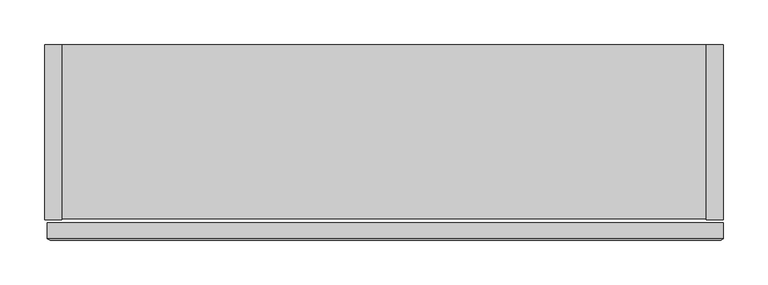
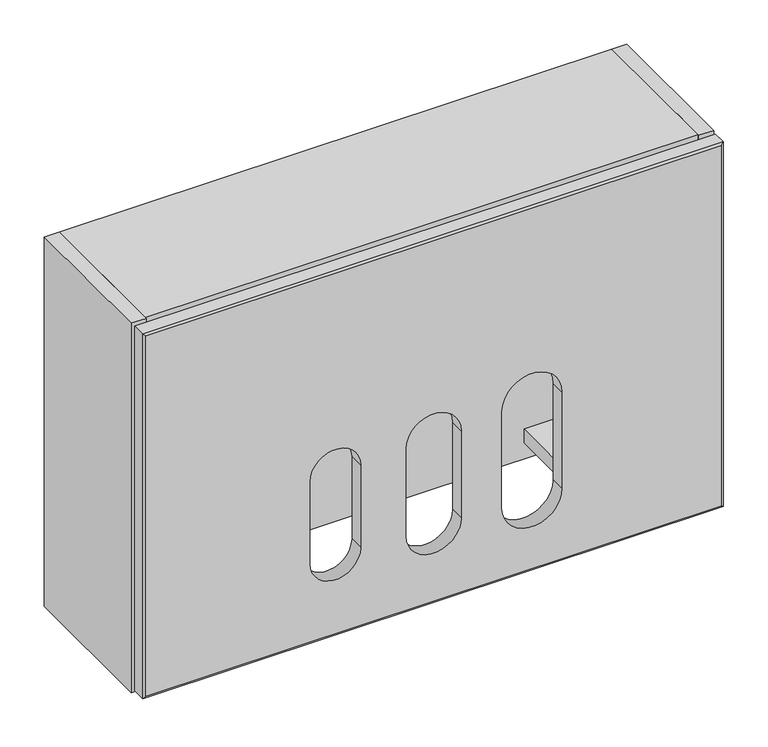
"""IFC4 building model written with IfcOpenShell, lengths in millimetres: furniture geometry."""

from ifc_helpers import new_model, si_unit, frame, origin, place, context, project, spatial, polyline, circle_curve, outline, extrude, source, transform, mapped, element, save
from ifc_brep_helpers import plane_surface, revolved_surface, advanced_brep


def furniture_8b93c39d(model_context):
    return source(origin(), model_context, "Body", "SolidModel", [
        extrude(outline(polyline([(-437.6428362, 90.2328644), (-311.6834, 90.2328644), (-311.6834, -85.5446699), (-437.6428362, -85.5446699), (-437.6428362, 90.2328644)])), frame((0.0, 0.0, 1629.9375211), z_axis=(0.0, 0.0, 1.0), x_axis=(1.0, 0.0, 0.0)), (0.0, 0.0, 1.0), 19.5572001),
        extrude(outline(polyline([(159.2834, 90.2328644), (285.2428362, 90.2328644), (285.2428362, -85.5446699), (159.2834, -85.5446699), (159.2834, 90.2328644)])), frame((0.0, 0.0, 1629.9375211), z_axis=(0.0, 0.0, 1.0), x_axis=(1.0, 0.0, 0.0)), (0.0, 0.0, 1.0), 19.5572001),
        advanced_brep(
        [(-450.8501575, -109.7931898, 2112.6469333), (-450.8501575, -109.7931898, 1614.4452618), (301.6248425, -109.7931898, 1614.4452618), (301.6248425, -109.7931898, 2112.6469333), (-110.6350798, -109.7931898, 1837.4676831), (-38.5902351, -109.7931898, 1837.4676831), (-38.5902351, -109.7931898, 1716.8176831), (-110.6350798, -109.7931898, 1716.8176831), (-170.1154511, -109.7931898, 1722.0156217), (-235.9772377, -109.7931898, 1722.0156217), (-235.9772377, -109.7931898, 1836.3156217), (-170.1154511, -109.7931898, 1836.3156217), (93.123821, -109.7931898, 1711.7712252), (14.6291937, -109.7931898, 1711.7712252), (14.6291937, -109.7931898, 1845.1212252), (93.123821, -109.7931898, 1845.1212252), (-454.0251575, -107.9688826, 2115.8183967), (-454.0251575, -107.9688826, 1611.2768869), (304.7998425, -107.9688826, 1611.2768869), (304.7998425, -107.9688826, 2115.8183967), (-38.5902351, -90.2351898, 1837.4676831), (-110.6350798, -90.2351898, 1837.4676831), (-110.6350798, -90.2351898, 1716.8176831), (-38.5902351, -90.2351898, 1716.8176831), (-235.9772377, -90.2351898, 1722.0156217), (-170.1154511, -90.2351898, 1722.0156217), (-235.9772377, -90.2350813, 1836.3156217), (-170.1154511, -90.2350813, 1836.3156217), (14.6291937, -90.2351898, 1711.7712252), (93.123821, -90.2351898, 1711.7712252), (14.6291937, -90.2350813, 1845.1212252), (93.123821, -90.2350813, 1845.1212252), (304.7998425, -90.2350813, 1611.2768869), (304.7998425, -90.2350813, 2115.8183967), (-454.0251575, -90.2350813, 2115.8183967), (-454.0251575, -90.2350813, 1611.2768869)],
        [
            (0, 1),
            (1, 2),
            (2, 3),
            (3, 0),
            (4, 5, circle_curve(frame((-74.6126575, -109.7931898, 1837.4676831), z_axis=(0.0, 1.0, 0.0), x_axis=(-1.0, 0.0, 0.0)), 36.0224224)),
            (5, 6),
            (6, 7, circle_curve(frame((-74.6126575, -109.7931898, 1716.8176831), z_axis=(0.0, 1.0, 0.0), x_axis=(-1.0, 0.0, 0.0)), 36.0224224)),
            (7, 4),
            (8, 9, circle_curve(frame((-203.0463444, -109.7931898, 1722.0156217), z_axis=(0.0, 1.0, 0.0), x_axis=(-1.0, 0.0, 0.0)), 32.9308933)),
            (9, 10),
            (10, 11, circle_curve(frame((-203.0463444, -109.7931898, 1836.3156217), z_axis=(0.0, 1.0, 0.0), x_axis=(-1.0, 0.0, 0.0)), 32.9308933)),
            (11, 8),
            (12, 13, circle_curve(frame((53.8765073, -109.7931898, 1711.7712252), z_axis=(0.0, 1.0, 0.0), x_axis=(-1.0, 0.0, 0.0)), 39.2473137)),
            (13, 14),
            (14, 15, circle_curve(frame((53.8765073, -109.7931898, 1845.1212252), z_axis=(0.0, 1.0, 0.0), x_axis=(-1.0, 0.0, 0.0)), 39.2473137)),
            (15, 12),
            (0, 16),
            (16, 17),
            (17, 1),
            (17, 18),
            (18, 2),
            (18, 19),
            (19, 3),
            (19, 16),
            (20, 5),
            (4, 21),
            (21, 20, circle_curve(frame((-74.6126575, -90.2350813, 1837.4676831), z_axis=(0.0, 1.0, 0.0), x_axis=(-1.0, 0.0, 0.0)), 36.0224224)),
            (7, 22),
            (22, 21),
            (6, 23),
            (23, 22, circle_curve(frame((-74.6126575, -90.2350813, 1716.8176831), z_axis=(0.0, 1.0, 0.0), x_axis=(-1.0, 0.0, 0.0)), 36.0224224)),
            (20, 23),
            (24, 9),
            (8, 25),
            (25, 24, circle_curve(frame((-203.0463444, -90.2350813, 1722.0156217), z_axis=(0.0, 1.0, 0.0), x_axis=(-1.0, 0.0, 0.0)), 32.9308933)),
            (24, 26),
            (26, 10),
            (26, 27, circle_curve(frame((-203.0463444, -90.2350813, 1836.3156217), z_axis=(0.0, 1.0, 0.0), x_axis=(-1.0, 0.0, 0.0)), 32.9308933)),
            (27, 11),
            (27, 25),
            (28, 13),
            (12, 29),
            (29, 28, circle_curve(frame((53.8765073, -90.2350813, 1711.7712252), z_axis=(0.0, 1.0, 0.0), x_axis=(-1.0, 0.0, 0.0)), 39.2473137)),
            (28, 30),
            (30, 14),
            (30, 31, circle_curve(frame((53.8765073, -90.2350813, 1845.1212252), z_axis=(0.0, 1.0, 0.0), x_axis=(-1.0, 0.0, 0.0)), 39.2473137)),
            (31, 15),
            (31, 29),
            (18, 32),
            (32, 33),
            (33, 19),
            (16, 34),
            (34, 35),
            (35, 17),
            (35, 32),
            (34, 33),
        ],
        [
            plane_surface(frame((-74.6126575, -109.7931898, 1863.5460976), z_axis=(0.0, -1.0, 0.0), x_axis=(0.0, 0.0, -1.0))),
            plane_surface(frame((-454.0251575, -107.9688826, 1863.5476418), z_axis=(-0.4982006522762486, -0.8670617683138384, 0.0), x_axis=(0.0, 0.0, -1.0))),
            plane_surface(frame((-74.6126575, -107.9688826, 1611.2768869), z_axis=(0.0, -0.8666116478902143, -0.49898321789515865), x_axis=(1.0, 0.0, 0.0))),
            plane_surface(frame((304.7998425, -107.9688826, 1863.5476418), z_axis=(0.4982006522763889, -0.8670617683137579, 0.0), x_axis=(0.0, 0.0, 1.0))),
            plane_surface(frame((-74.6126575, -107.9688826, 2115.8183967), z_axis=(0.0, -0.8668217483884826, 0.49861814700302903), x_axis=(-1.0, 0.0, 0.0))),
            revolved_surface(polyline([(-110.6350799, -90.2350813, 1837.4676831), (-110.6350799, -109.7931898, 1837.4676831)]), (-74.6126575, -109.7931898, 1837.4676831), (0.0, 1.0, 0.0)),
            plane_surface(frame((-110.6350798, -90.2351898, 1716.8176831), z_axis=(1.0, 0.0, 0.0), x_axis=(0.0, -1.0, 0.0))),
            revolved_surface(polyline([(-110.6350799, -90.2350813, 1716.8176831), (-110.6350799, -109.7931898, 1716.8176831)]), (-74.6126575, -109.7931898, 1716.8176831), (0.0, 1.0, 0.0)),
            plane_surface(frame((-38.5902351, -90.2351898, 1837.4676831), z_axis=(-1.0, 0.0, 0.0), x_axis=(0.0, -1.0, 0.0))),
            revolved_surface(polyline([(-235.97723770000002, -90.2350813, 1722.0156217), (-235.97723770000002, -109.7931898, 1722.0156217)]), (-203.0463444, -90.2351898, 1722.0156217), (0.0, 1.0, 0.0)),
            plane_surface(frame((-235.9772377, -90.2351898, 1722.0156217), z_axis=(1.0, 0.0, 0.0), x_axis=(0.0, -1.0, 0.0))),
            revolved_surface(polyline([(-235.97723770000002, -90.2350813, 1836.3156217), (-235.97723770000002, -109.7931898, 1836.3156217)]), (-203.0463444, -90.2351898, 1836.3156217), (0.0, 1.0, 0.0)),
            plane_surface(frame((-170.1154511, -90.2351898, 1836.3156217), z_axis=(-1.0, 0.0, 0.0), x_axis=(0.0, -1.0, 0.0))),
            revolved_surface(polyline([(14.6291936, -90.2350813, 1711.7712252), (14.6291936, -109.7931898, 1711.7712252)]), (53.8765073, -90.2351898, 1711.7712252), (0.0, 1.0, 0.0)),
            plane_surface(frame((14.6291937, -90.2351898, 1711.7712252), z_axis=(1.0, 0.0, 0.0), x_axis=(0.0, -1.0, 0.0))),
            revolved_surface(polyline([(14.6291936, -90.2350813, 1845.1212252), (14.6291936, -109.7931898, 1845.1212252)]), (53.8765073, -90.2351898, 1845.1212252), (0.0, 1.0, 0.0)),
            plane_surface(frame((93.123821, -90.2351898, 1845.1212252), z_axis=(-1.0, 0.0, 0.0), x_axis=(0.0, -1.0, 0.0))),
            plane_surface(frame((304.7998425, -107.9688826, 2115.8183967), z_axis=(1.0, 0.0, 0.0), x_axis=(0.0, 0.0, -1.0))),
            plane_surface(frame((-454.0251575, -107.9688826, 2115.8183967), z_axis=(-1.0, 0.0, 0.0), x_axis=(0.0, 0.0, 1.0))),
            plane_surface(frame((304.7998425, -107.9688826, 1611.2768869), z_axis=(0.0, 0.0, -1.0), x_axis=(-1.0, 0.0, 0.0))),
            plane_surface(frame((304.7998425, -90.2350813, 1611.2768869), z_axis=(0.0, 1.0, 0.0), x_axis=(-1.0, 0.0, 0.0))),
            plane_surface(frame((304.7998425, -90.2350813, 2115.8183967), z_axis=(0.0, 0.0, 1.0), x_axis=(-1.0, 0.0, 0.0))),
        ],
        [
            (0, [[1, 2, 3, 4], [5, 6, 7, 8], [9, 10, 11, 12], [13, 14, 15, 16]]),
            (1, [[-1, 17, 18, 19]]),
            (2, [[-2, -19, 20, 21]]),
            (3, [[-3, -21, 22, 23]]),
            (4, [[-4, -23, 24, -17]]),
            (5, [[25, -5, 26, 27]]),
            (6, [[-26, -8, 28, 29]]),
            (7, [[-28, -7, 30, 31]]),
            (8, [[-25, 32, -30, -6]]),
            (9, [[33, -9, 34, 35]]),
            (10, [[-33, 36, 37, -10]]),
            (11, [[-37, 38, 39, -11]]),
            (12, [[-34, -12, -39, 40]]),
            (13, [[41, -13, 42, 43]]),
            (14, [[-41, 44, 45, -14]]),
            (15, [[-45, 46, 47, -15]]),
            (16, [[-42, -16, -47, 48]]),
            (17, [[49, 50, 51, -22]]),
            (18, [[52, 53, 54, -18]]),
            (19, [[-49, -20, -54, 55]]),
            (20, [[-50, -55, -53, 56], [-27, -29, -31, -32], [-35, -40, -38, -36], [-43, -48, -46, -44]]),
            (21, [[-51, -56, -52, -24]]),
        ],
    ),
        extrude(outline(polyline([(285.2428362, 109.7898102), (285.2428362, 90.2328644), (-437.6428362, 90.2328644), (-437.6428362, 109.7898102), (285.2428362, 109.7898102)])), frame((0.0, 0.0, 1608.094414), z_axis=(0.0, 0.0, 1.0), x_axis=(1.0, 0.0, 0.0)), (0.0, 0.0, 1.0), 491.3434056),
        extrude(outline(polyline([(-457.2, 109.7898102), (-437.6428362, 109.7898102), (-437.6428362, -87.0689955), (-457.2, -87.0689955), (-457.2, 109.7898102)])), frame((0.0, 0.0, 1608.094414), z_axis=(0.0, 0.0, 1.0), x_axis=(1.0, 0.0, 0.0)), (0.0, 0.0, 1.0), 510.9005875),
        extrude(outline(polyline([(285.2428362, 109.7898102), (304.8, 109.7898102), (304.8, -87.0689955), (285.2428362, -87.0689955), (285.2428362, 109.7898102)])), frame((0.0, 0.0, 1608.094414), z_axis=(0.0, 0.0, 1.0), x_axis=(1.0, 0.0, 0.0)), (0.0, 0.0, 1.0), 510.9005875),
        extrude(outline(polyline([(285.2428362, 109.7898102), (285.2428362, -85.5446699), (-437.6428362, -85.5446699), (-437.6428362, 109.7898102), (285.2428362, 109.7898102)])), frame((0.0, 0.0, 2099.4378195), z_axis=(0.0, 0.0, 1.0), x_axis=(1.0, 0.0, 0.0)), (0.0, 0.0, 1.0), 19.557182),
    ])


if __name__ == "__main__":
    model = new_model("IFC4")
    model_context = context("Model", 3, world=origin())
    ifc_project = project(units=[si_unit("LENGTHUNIT", "METRE", prefix="MILLI")], contexts=[model_context])
    site = spatial("IfcSite", under=ifc_project)
    building = spatial("IfcBuilding", under=site)
    placement = place(None, origin())
    furniture_shape = furniture_8b93c39d(model_context)
    element("IfcFurniture", 1, at=placement, inside=building, context=model_context, shape_type="MappedRepresentation", body=[
        mapped(furniture_shape, transform((0.0, 0.0, 0.0), x_axis=(1.0, 0.0, 0.0), y_axis=(0.0, 1.0, 0.0), z_axis=(0.0, 0.0, 1.0))),
    ])
    save(model, "model.ifc")
